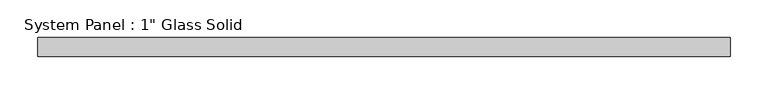
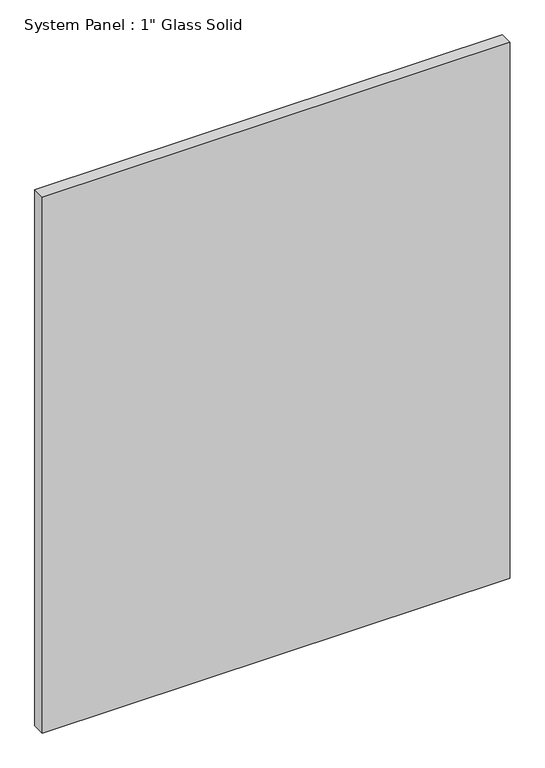
"""IFC4 building model written with IfcOpenShell, lengths in millimetres: plate geometry."""

from ifc_helpers import new_model, si_unit, origin, origin_with_axes, place, context, project, spatial, polyline, outline, extrude, source, transform, mapped, element, save


def plate_2931fc18(model_context):
    return source(origin(), model_context, "Body", "SweptSolid", [
        extrude(outline(polyline([(460.9555865, -12.7), (-460.9555865, -12.7), (-460.9555865, 12.7), (460.9555865, 12.7), (460.9555865, -12.7)])), origin_with_axes(), (0.0, 0.0, 1.0), 1116.4441382),
    ])


if __name__ == "__main__":
    model = new_model("IFC4")
    model_context = context("Model", 3, world=origin())
    ifc_project = project(units=[si_unit("LENGTHUNIT", "METRE", prefix="MILLI")], contexts=[model_context])
    site = spatial("IfcSite", under=ifc_project)
    building = spatial("IfcBuilding", under=site)
    placement = place(None, origin())
    plate_shape = plate_2931fc18(model_context)
    element("IfcPlate", 1, ObjectType="System Panel : 1\" Glass Solid", at=placement, inside=building, context=model_context, shape_type="MappedRepresentation", body=[
        mapped(plate_shape, transform((0.0, 0.0, 0.0), x_axis=(1.0, 0.0, 0.0), y_axis=(0.0, 1.0, 0.0), z_axis=(0.0, 0.0, 1.0))),
    ])
    save(model, "model.ifc")
